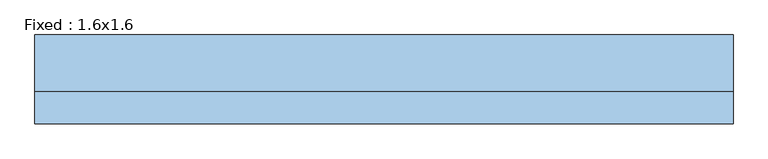
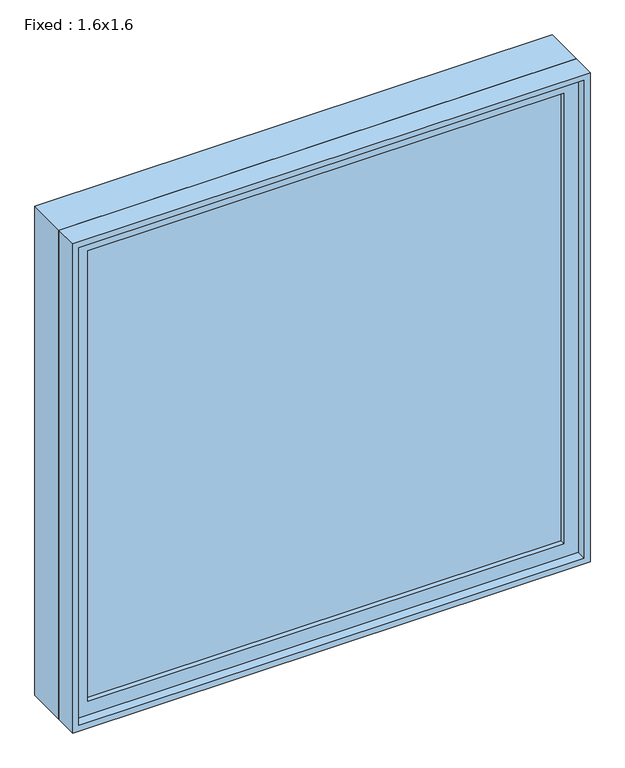
"""IFC4 building model written with IfcOpenShell, lengths in millimetres: window geometry, Fixed : 1.6x1.6."""

from ifc_helpers import new_model, si_unit, frame, origin, place, context, project, spatial, polyline, outline, extrude, source, transform, mapped, element, save


def fixed_1_6x1_6_4967ef83(model_context):
    return source(origin(), model_context, "Body", "SweptSolid", [
        extrude(outline(polyline([(698.4, -43.025), (698.4, -55.725), (-774.6, -55.725), (-774.6, -43.025), (698.4, -43.025)])), frame((0.0, 0.0, 1063.5), z_axis=(0.0, 0.0, 1.0), x_axis=(1.0, 0.0, 0.0)), (0.0, 0.0, 1.0), 1473.0),
        extrude(outline(polyline([(2580.95, -819.05), (1019.05, -819.05), (1019.05, 742.85), (2580.95, 742.85), (2580.95, -819.05)]), holes=[polyline([(2536.5, -774.6), (2536.5, 698.4), (1063.5, 698.4), (1063.5, -774.6), (2536.5, -774.6)])]), frame((0.0, -71.6, 0.0), z_axis=(0.0, 1.0, 0.0), x_axis=(0.0, 0.0, 1.0)), (0.0, 0.0, 1.0), 44.45),
        extrude(outline(polyline([(2600.0, -838.1), (1000.0, -838.1), (1000.0, 761.9), (2600.0, 761.9), (2600.0, -838.1)]), holes=[polyline([(2568.25, -806.35), (2568.25, 730.15), (1031.75, 730.15), (1031.75, -806.35), (2568.25, -806.35)])]), frame((0.0, -27.15, 0.0), z_axis=(0.0, 1.0, 0.0), x_axis=(0.0, 0.0, 1.0)), (0.0, 0.0, 1.0), 128.75),
        extrude(outline(polyline([(2600.0, 761.9), (2600.0, -838.1), (1000.0, -838.1), (1000.0, 761.9), (2600.0, 761.9)]), holes=[polyline([(2580.95, 742.85), (1019.05, 742.85), (1019.05, -819.05), (2580.95, -819.05), (2580.95, 742.85)])]), frame((0.0, -101.6, 0.0), z_axis=(0.0, 1.0, 0.0), x_axis=(0.0, 0.0, 1.0)), (0.0, 0.0, 1.0), 74.45),
    ])


if __name__ == "__main__":
    model = new_model("IFC4")
    model_context = context("Model", 3, world=origin())
    ifc_project = project(units=[si_unit("LENGTHUNIT", "METRE", prefix="MILLI")], contexts=[model_context])
    site = spatial("IfcSite", under=ifc_project)
    building = spatial("IfcBuilding", under=site)
    placement = place(None, origin())
    fixed_1_6x1_6_shape = fixed_1_6x1_6_4967ef83(model_context)
    element("IfcWindow", 1, ObjectType="Fixed : 1.6x1.6", at=placement, inside=building, context=model_context, shape_type="MappedRepresentation", body=[
        mapped(fixed_1_6x1_6_shape, transform((0.0, 0.0, 0.0), x_axis=(1.0, 0.0, 0.0), y_axis=(0.0, 1.0, 0.0), z_axis=(0.0, 0.0, 1.0))),
    ])
    save(model, "model.ifc")
